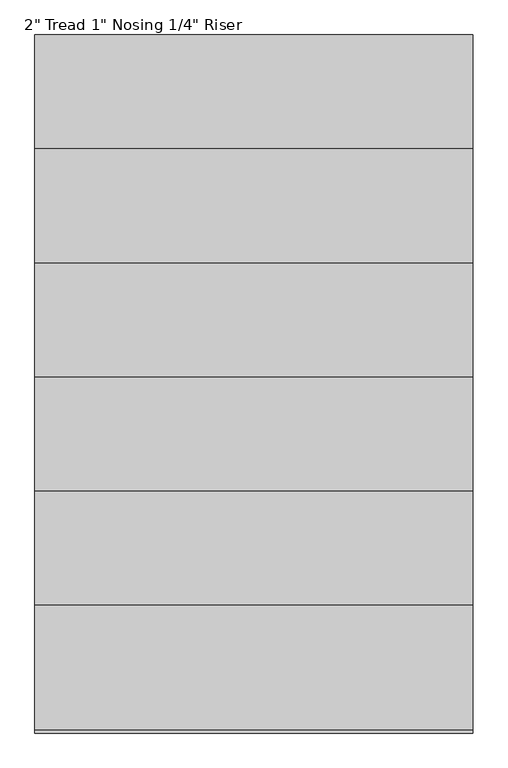
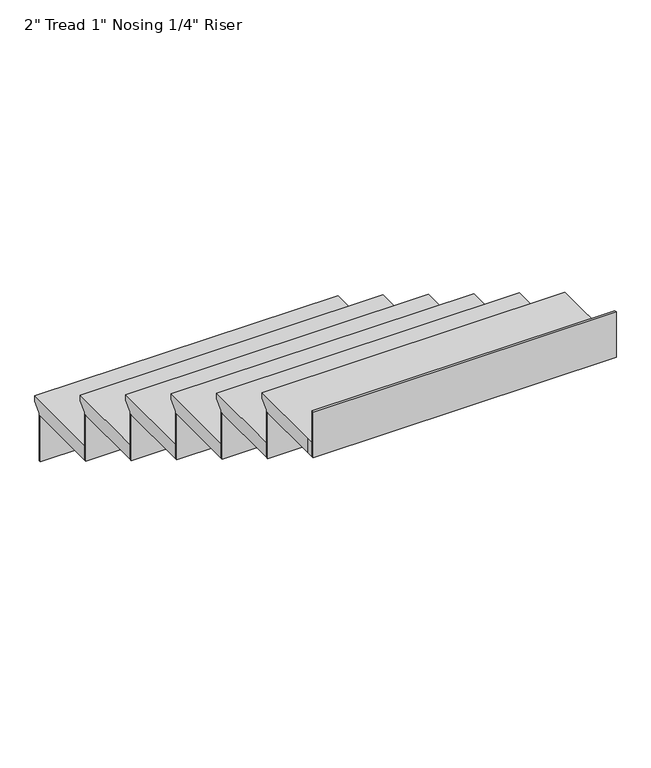
"""IFC4 building model written with IfcOpenShell, lengths in millimetres: stair flight geometry."""

from ifc_helpers import new_model, si_unit, origin, place, context, project, spatial, faceted_brep, source, transform, mapped, element, save


def stair_flight_fafb070b(model_context):
    return source(origin(), model_context, "Body", "Brep", [
        faceted_brep([(3670.2555789, -341.8133666, 88120.0), (2670.2555789, -341.8133666, 88120.0), (2670.2555789, -627.2133666, 88120.0), (3670.2555789, -627.2133666, 88120.0), (3670.2555789, -367.2133666, 88069.2), (3670.2555789, -627.2133666, 88069.2), (2670.2555789, -627.2133666, 88069.2), (2670.2555789, -367.2133666, 88069.2), (3670.2555789, -367.2133666, 88075.55), (3670.2555789, -341.8133666, 88100.95), (2670.2555789, -367.2133666, 88075.55), (2670.2555789, -341.8133666, 88100.95)], [[[0, 1, 2, 3]], [[4, 5, 6, 7]], [[0, 3, 5, 4, 8, 9]], [[4, 7, 10, 8]], [[2, 1, 11, 10, 7, 6]], [[3, 2, 6, 5]], [[11, 1, 0, 9]], [[10, 11, 9, 8]]]),
        faceted_brep([(2670.2555789, -367.2133666, 88069.2), (2670.2555789, -367.2133666, 87909.2), (2670.2555789, -373.5633666, 87909.2), (2670.2555789, -373.5633666, 88069.2), (3670.2555789, -367.2133666, 88069.2), (3670.2555789, -373.5633666, 88069.2), (3670.2555789, -373.5633666, 87909.2), (3670.2555789, -367.2133666, 87909.2)], [[[0, 1, 2, 3]], [[4, 5, 6, 7]], [[1, 0, 4, 7]], [[2, 1, 7, 6]], [[3, 2, 6, 5]], [[0, 3, 5, 4]]]),
        faceted_brep([(3670.2555789, -601.8133666, 88280.0), (2670.2555789, -601.8133666, 88280.0), (2670.2555789, -887.2133666, 88280.0), (3670.2555789, -887.2133666, 88280.0), (3670.2555789, -627.2133666, 88229.2), (3670.2555789, -887.2133666, 88229.2), (2670.2555789, -887.2133666, 88229.2), (2670.2555789, -627.2133666, 88229.2), (3670.2555789, -627.2133666, 88235.55), (3670.2555789, -601.8133666, 88260.95), (2670.2555789, -627.2133666, 88235.55), (2670.2555789, -601.8133666, 88260.95)], [[[0, 1, 2, 3]], [[4, 5, 6, 7]], [[0, 3, 5, 4, 8, 9]], [[4, 7, 10, 8]], [[2, 1, 11, 10, 7, 6]], [[3, 2, 6, 5]], [[11, 1, 0, 9]], [[10, 11, 9, 8]]]),
        faceted_brep([(2670.2555789, -627.2133666, 88229.2), (2670.2555789, -627.2133666, 88069.2), (2670.2555789, -633.5633666, 88069.2), (2670.2555789, -633.5633666, 88229.2), (3670.2555789, -627.2133666, 88229.2), (3670.2555789, -633.5633666, 88229.2), (3670.2555789, -633.5633666, 88069.2), (3670.2555789, -627.2133666, 88069.2)], [[[0, 1, 2, 3]], [[4, 5, 6, 7]], [[1, 0, 4, 7]], [[2, 1, 7, 6]], [[3, 2, 6, 5]], [[0, 3, 5, 4]]]),
        faceted_brep([(3670.2555789, -861.8133666, 88440.0), (2670.2555789, -861.8133666, 88440.0), (2670.2555789, -1147.2133666, 88440.0), (3670.2555789, -1147.2133666, 88440.0), (3670.2555789, -887.2133666, 88389.2), (3670.2555789, -1147.2133666, 88389.2), (2670.2555789, -1147.2133666, 88389.2), (2670.2555789, -887.2133666, 88389.2), (3670.2555789, -887.2133666, 88395.55), (3670.2555789, -861.8133666, 88420.95), (2670.2555789, -887.2133666, 88395.55), (2670.2555789, -861.8133666, 88420.95)], [[[0, 1, 2, 3]], [[4, 5, 6, 7]], [[0, 3, 5, 4, 8, 9]], [[4, 7, 10, 8]], [[2, 1, 11, 10, 7, 6]], [[3, 2, 6, 5]], [[11, 1, 0, 9]], [[10, 11, 9, 8]]]),
        faceted_brep([(2670.2555789, -887.2133666, 88389.2), (2670.2555789, -887.2133666, 88229.2), (2670.2555789, -893.5633666, 88229.2), (2670.2555789, -893.5633666, 88389.2), (3670.2555789, -887.2133666, 88389.2), (3670.2555789, -893.5633666, 88389.2), (3670.2555789, -893.5633666, 88229.2), (3670.2555789, -887.2133666, 88229.2)], [[[0, 1, 2, 3]], [[4, 5, 6, 7]], [[1, 0, 4, 7]], [[2, 1, 7, 6]], [[3, 2, 6, 5]], [[0, 3, 5, 4]]]),
        faceted_brep([(3670.2555789, -1121.8133666, 88600.0), (2670.2555789, -1121.8133666, 88600.0), (2670.2555789, -1407.2133666, 88600.0), (3670.2555789, -1407.2133666, 88600.0), (3670.2555789, -1147.2133666, 88549.2), (3670.2555789, -1407.2133666, 88549.2), (2670.2555789, -1407.2133666, 88549.2), (2670.2555789, -1147.2133666, 88549.2), (3670.2555789, -1147.2133666, 88555.55), (3670.2555789, -1121.8133666, 88580.95), (2670.2555789, -1147.2133666, 88555.55), (2670.2555789, -1121.8133666, 88580.95)], [[[0, 1, 2, 3]], [[4, 5, 6, 7]], [[0, 3, 5, 4, 8, 9]], [[4, 7, 10, 8]], [[2, 1, 11, 10, 7, 6]], [[3, 2, 6, 5]], [[11, 1, 0, 9]], [[10, 11, 9, 8]]]),
        faceted_brep([(2670.2555789, -1147.2133666, 88549.2), (2670.2555789, -1147.2133666, 88389.2), (2670.2555789, -1153.5633666, 88389.2), (2670.2555789, -1153.5633666, 88549.2), (3670.2555789, -1147.2133666, 88549.2), (3670.2555789, -1153.5633666, 88549.2), (3670.2555789, -1153.5633666, 88389.2), (3670.2555789, -1147.2133666, 88389.2)], [[[0, 1, 2, 3]], [[4, 5, 6, 7]], [[1, 0, 4, 7]], [[2, 1, 7, 6]], [[3, 2, 6, 5]], [[0, 3, 5, 4]]]),
        faceted_brep([(3670.2555789, -1381.8133666, 88760.0), (2670.2555789, -1381.8133666, 88760.0), (2670.2555789, -1667.2133666, 88760.0), (3670.2555789, -1667.2133666, 88760.0), (3670.2555789, -1407.2133666, 88709.2), (3670.2555789, -1667.2133666, 88709.2), (2670.2555789, -1667.2133666, 88709.2), (2670.2555789, -1407.2133666, 88709.2), (3670.2555789, -1407.2133666, 88715.55), (3670.2555789, -1381.8133666, 88740.95), (2670.2555789, -1407.2133666, 88715.55), (2670.2555789, -1381.8133666, 88740.95)], [[[0, 1, 2, 3]], [[4, 5, 6, 7]], [[0, 3, 5, 4, 8, 9]], [[4, 7, 10, 8]], [[2, 1, 11, 10, 7, 6]], [[3, 2, 6, 5]], [[11, 1, 0, 9]], [[10, 11, 9, 8]]]),
        faceted_brep([(2670.2555789, -1407.2133666, 88709.2), (2670.2555789, -1407.2133666, 88549.2), (2670.2555789, -1413.5633666, 88549.2), (2670.2555789, -1413.5633666, 88709.2), (3670.2555789, -1407.2133666, 88709.2), (3670.2555789, -1413.5633666, 88709.2), (3670.2555789, -1413.5633666, 88549.2), (3670.2555789, -1407.2133666, 88549.2)], [[[0, 1, 2, 3]], [[4, 5, 6, 7]], [[1, 0, 4, 7]], [[2, 1, 7, 6]], [[3, 2, 6, 5]], [[0, 3, 5, 4]]]),
        faceted_brep([(3670.2555789, -1927.2133666, 88920.0), (3670.2555789, -1901.8133666, 88920.0), (3670.2555789, -1641.8133666, 88920.0), (2670.2555789, -1641.8133666, 88920.0), (2670.2555789, -1901.8133666, 88920.0), (2670.2555789, -1927.2133666, 88920.0), (3670.2555789, -1901.8133666, 88869.2), (3670.2555789, -1927.2133666, 88869.2), (2670.2555789, -1927.2133666, 88869.2), (2670.2555789, -1901.8133666, 88869.2), (2670.2555789, -1667.2133666, 88869.2), (3670.2555789, -1667.2133666, 88869.2), (2670.2555789, -1667.2133666, 88875.55), (3670.2555789, -1667.2133666, 88875.55), (2670.2555789, -1641.8133666, 88900.95), (3670.2555789, -1641.8133666, 88900.95)], [[[0, 1, 2, 3, 4, 5]], [[6, 7, 8, 9, 10, 11]], [[1, 0, 7, 6]], [[11, 10, 12, 13]], [[4, 3, 14, 12, 10, 9]], [[0, 5, 8, 7]], [[14, 3, 2, 15]], [[12, 14, 15, 13]], [[2, 1, 6, 11, 13, 15]], [[5, 4, 9, 8]]]),
        faceted_brep([(2670.2555789, -1667.2133666, 88869.2), (2670.2555789, -1667.2133666, 88709.2), (2670.2555789, -1673.5633666, 88709.2), (2670.2555789, -1673.5633666, 88869.2), (3670.2555789, -1667.2133666, 88869.2), (3670.2555789, -1673.5633666, 88869.2), (3670.2555789, -1673.5633666, 88709.2), (3670.2555789, -1667.2133666, 88709.2)], [[[0, 1, 2, 3]], [[4, 5, 6, 7]], [[1, 0, 4, 7]], [[2, 1, 7, 6]], [[3, 2, 6, 5]], [[0, 3, 5, 4]]]),
        faceted_brep([(2670.2555789, -1927.2133666, 89029.2), (2670.2555789, -1927.2133666, 88869.2), (2670.2555789, -1933.5633666, 88869.2), (2670.2555789, -1933.5633666, 89029.2), (3670.2555789, -1927.2133666, 89029.2), (3670.2555789, -1933.5633666, 89029.2), (3670.2555789, -1933.5633666, 88869.2), (3670.2555789, -1927.2133666, 88869.2)], [[[0, 1, 2, 3]], [[4, 5, 6, 7]], [[1, 0, 4, 7]], [[2, 1, 7, 6]], [[3, 2, 6, 5]], [[0, 3, 5, 4]]]),
    ])


if __name__ == "__main__":
    model = new_model("IFC4")
    model_context = context("Model", 3, world=origin())
    ifc_project = project(units=[si_unit("LENGTHUNIT", "METRE", prefix="MILLI")], contexts=[model_context])
    site = spatial("IfcSite", under=ifc_project)
    building = spatial("IfcBuilding", under=site)
    placement = place(None, origin())
    stair_flight_shape = stair_flight_fafb070b(model_context)
    element("IfcStairFlight", 1, ObjectType="2\" Tread 1\" Nosing 1/4\" Riser", at=placement, inside=building, context=model_context, shape_type="MappedRepresentation", body=[
        mapped(stair_flight_shape, transform((0.0, 0.0, 0.0), x_axis=(1.0, 0.0, 0.0), y_axis=(0.0, 1.0, 0.0), z_axis=(0.0, 0.0, 1.0))),
    ])
    save(model, "model.ifc")
